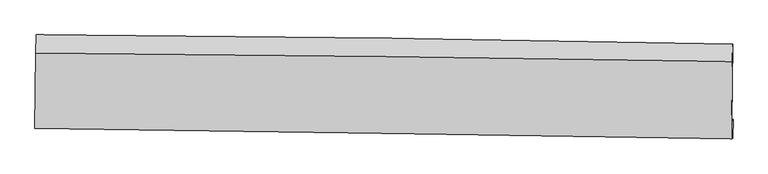
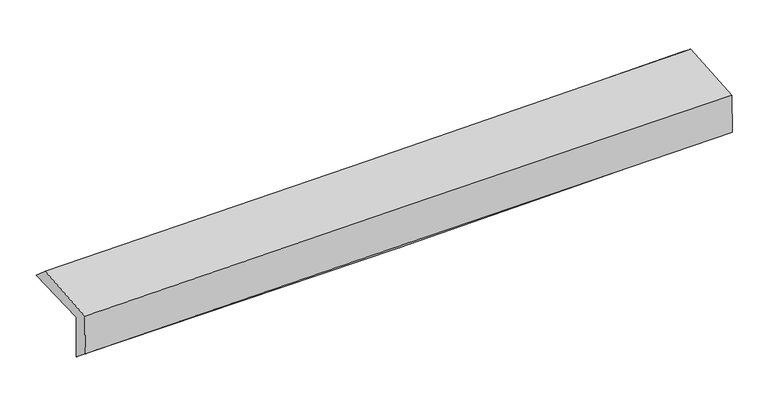
"""IFC4 building model written with IfcOpenShell, lengths in millimetres: proxy geometry."""

from ifc_helpers import new_model, si_unit, frame, origin, place, context, project, spatial, source, transform, mapped, element, save
from ifc_brep_helpers import plane_surface, spline_curve, spline_surface, advanced_brep


def generic_models_f8624597(model_context):
    return source(origin(), model_context, "Body", "AdvancedBrep", [
        advanced_brep(
        [(-3018.6850952, -1761.5706041, 1964.8808214), (-3010.9688578, -1097.0640962, 1978.586197), (3002.4724959, -1177.8081139, 2138.5594705), (2995.0060972, -1846.4471256, 2116.1110463), (-3009.0126292, -1744.2766765, 1561.8047585), (3004.7472441, -1829.0294096, 1710.1499396), (-3013.886207, -1900.5294207, 1688.8836468), (2999.8827184, -1992.9008546, 1833.8791481), (-3022.8304953, -1906.6758478, 2066.6873558), (2991.0616703, -1998.9619657, 2206.4393657), (-3016.0276786, -1253.2229093, 2113.6036678), (2997.9632107, -1326.8898884, 2254.6901709)],
        [
            (0, 1),
            (1, 2, spline_curve(3, [(-3010.9688578, -1097.0640962, 1978.586197), (-2007.040582537, -1101.852757265, 1987.744333911), (-1003.522213216, -1110.985352866, 2005.673664419), (1000.95681903, -1137.91506411, 2059.028455051), (2001.918900592, -1155.697141211, 2094.42354875), (3002.4724959, -1177.8081139, 2138.5594705)], [4, 2, 4], [0.0, 9.877986980050267, 19.738860247478947])),
            (2, 3),
            (3, 0, spline_curve(3, [(2995.0060972, -1846.4471256, 2116.1110463), (1993.986431333, -1829.282343604, 2073.33830942), (992.770328122, -1813.631727365, 2039.352723489), (-1011.792719951, -1785.334293387, 1988.9121216), (-2015.140347928, -1772.692735394, 1972.487632309), (-3018.6850952, -1761.5706041, 1964.8808214)], [4, 2, 4], [0.0, 9.86087326742868, 19.738860247478947])),
            (4, 0),
            (3, 5),
            (5, 4, spline_curve(3, [(3004.7472441, -1829.0294096, 1710.1499396), (2003.662881732, -1811.984148342, 1670.16235199), (1002.408688894, -1796.403642304, 1637.810551606), (-1002.177345453, -1768.147642571, 1588.335630935), (-2005.509777031, -1755.477237676, 1571.239037465), (-3009.0126292, -1744.2766765, 1561.8047585)], [4, 2, 4], [0.0, 9.860860497577487, 19.73883468561427])),
            (6, 4),
            (5, 7),
            (7, 6, spline_curve(3, [(2999.8827184, -1992.9008546, 1833.8791481), (1998.346098556, -1975.793820271, 1809.471078854), (996.86482777, -1959.54860965, 1785.194447546), (-1007.725006223, -1928.755137422, 1736.862157463), (-2010.833377587, -1914.209870274, 1712.80695473), (-3013.886207, -1900.5294207, 1688.8836468)], [4, 2, 4], [0.0, 9.860625965500487, 19.738365214425876])),
            (8, 6),
            (7, 9),
            (9, 8, spline_curve(3, [(2991.0616703, -1998.9619657, 2206.4393657), (1989.466191225, -1981.897869938, 2184.667985765), (987.945213304, -1965.681244629, 2162.147042797), (-1016.685767631, -1934.916261142, 2115.565643245), (-2019.795511491, -1920.370847081, 2091.502583243), (-3022.8304953, -1906.6758478, 2066.6873558)], [4, 2, 4], [0.0, 9.860582198546323, 19.738277604559258])),
            (10, 8),
            (9, 11),
            (11, 10, spline_curve(3, [(2997.9632107, -1326.8898884, 2254.6901709), (1996.903518679, -1312.332245044, 2224.536624374), (995.642454078, -1298.918838021, 2197.709949263), (-1009.020476106, -1274.359203025, 2150.66955743), (-2012.423041144, -1263.216950565, 2130.467398109), (-3016.0276786, -1253.2229093, 2113.6036678)], [4, 2, 4], [0.0, 9.860476075895031, 19.738065175079015])),
            (1, 10),
            (11, 2),
        ],
        [
            spline_surface(3, 3, [[(-3018.6850952, -1761.5706041, 1964.8808214), (-2015.140347963, -1772.69273553, 1972.487632452), (-1011.792720088, -1785.33429331, 1988.912121581), (992.770328259, -1813.631727441, 2039.352723508), (1993.986431227, -1829.282343464, 2073.338309357), (2995.0060972, -1846.4471256, 2116.1110463)], [(-3016.113016065, -1540.0684348, 1969.449279914), (-2012.440426196, -1549.079409481, 1977.573199538), (-1009.035884428, -1560.55131317, 1994.499302554), (995.499158509, -1588.392839711, 2045.911300681), (1996.63058773, -1604.753942734, 2080.366722486), (2997.494896774, -1623.56745503, 2123.593854343)], [(-3013.540936935, -1318.5662655, 1974.017738486), (-2009.740504434, -1325.466083431, 1982.65876668), (-1006.279048811, -1335.768332948, 2000.086483499), (998.227988715, -1363.153951898, 2052.469877826), (1999.274744212, -1380.225542015, 2087.395135685), (2999.983696326, -1400.68778447, 2131.076662457)], [(-3010.9688578, -1097.0640962, 1978.586197), (-2007.040582667, -1101.852757382, 1987.744333766), (-1003.522213151, -1110.985352808, 2005.673664471), (1000.956818965, -1137.915064168, 2059.028454999), (2001.918900715, -1155.697141286, 2094.423548814), (3002.4724959, -1177.8081139, 2138.5594705)]], [4, 4], [4, 2, 4], [0.0, 2.215641350273587], [0.0, 9.877986980050267, 19.738860247478947]),
            spline_surface(3, 3, [[(-3009.0126292, -1744.2766765, 1561.8047585), (-2005.50977719, -1755.477237579, 1571.239037437), (-1002.177345495, -1768.147642616, 1588.335630872), (1002.408688937, -1796.403642259, 1637.810551669), (2003.662881682, -1811.984148289, 1670.162351892), (3004.7472441, -1829.0294096, 1710.1499396)], [(-3012.236784516, -1750.041319011, 1696.163446155), (-2008.71996743, -1761.215736873, 1704.988569131), (-1005.382470366, -1773.87652617, 1721.861127784), (999.195902038, -1802.146337309, 1771.657942291), (2000.437398196, -1817.750213357, 1804.554337709), (3001.500195132, -1834.835314943, 1845.470308496)], [(-3015.460939884, -1755.805961589, 1830.522133745), (-2011.930157722, -1766.954236236, 1838.738100758), (-1008.587595218, -1779.605409756, 1855.386624669), (995.983115158, -1807.889032392, 1905.505332887), (1997.211914713, -1823.516278396, 1938.94632354), (2998.253146168, -1840.641220257, 1980.790677404)], [(-3018.6850952, -1761.5706041, 1964.8808214), (-2015.140347963, -1772.69273553, 1972.487632452), (-1011.792720088, -1785.33429331, 1988.912121581), (992.770328259, -1813.631727441, 2039.352723508), (1993.986431227, -1829.282343464, 2073.338309357), (2995.0060972, -1846.4471256, 2116.1110463)]], [4, 4], [4, 2, 4], [0.0, 1.3173979073396866], [0.0, 9.87797418803678, 19.73883468561427]),
            spline_surface(3, 3, [[(-3013.886207, -1900.5294207, 1688.8836468), (-2010.833377468, -1914.209870228, 1712.806954691), (-1007.72500628, -1928.755137548, 1736.862157321), (996.864827828, -1959.548609523, 1785.194447688), (1998.346098396, -1975.793820183, 1809.471078869), (2999.8827184, -1992.9008546, 1833.8791481)], [(-3012.261681064, -1848.445172653, 1646.524017351), (-2009.058844039, -1861.298992698, 1665.617648924), (-1005.875786019, -1875.219305915, 1687.353315153), (998.71278153, -1905.166953779, 1736.06648233), (2000.118359469, -1921.190596227, 1763.034836571), (3001.504226944, -1938.277039609, 1792.636078628)], [(-3010.637155136, -1796.360924547, 1604.164387949), (-2007.284310619, -1808.388115109, 1618.428343203), (-1004.026565756, -1821.683474249, 1637.84447304), (1000.560735234, -1850.785298004, 1686.938517027), (2001.890620609, -1866.587372245, 1716.59859419), (3003.125735556, -1883.653224591, 1751.393009072)], [(-3009.0126292, -1744.2766765, 1561.8047585), (-2005.50977719, -1755.477237579, 1571.239037437), (-1002.177345495, -1768.147642616, 1588.335630872), (1002.408688937, -1796.403642259, 1637.810551669), (2003.662881682, -1811.984148289, 1670.162351892), (3004.7472441, -1829.0294096, 1710.1499396)]], [4, 4], [4, 2, 4], [0.0, 0.7197312537228091], [0.0, 9.877739248925389, 19.738365214425876]),
            spline_surface(3, 3, [[(-3022.8304953, -1906.6758478, 2066.6873558), (-2019.795511422, -1920.37084723, 2091.502583251), (-1016.685767504, -1934.916261154, 2115.565643382), (987.945213177, -1965.681244618, 2162.14704266), (1989.466191139, -1981.897869968, 2184.667985839), (2991.0616703, -1998.9619657, 2206.4393657)], [(-3019.849065886, -1904.627038758, 1940.752786143), (-2016.808133457, -1918.317188221, 1965.270707074), (-1013.698847118, -1932.862553261, 1989.331148039), (990.918418039, -1963.637032896, 2036.496177679), (1992.426160233, -1979.863186678, 2059.602350175), (2994.002019675, -1996.941595305, 2082.252626493)], [(-3016.867636414, -1902.578229742, 1814.818216457), (-2013.820755433, -1916.263529238, 1839.038830868), (-1010.711926667, -1930.80884544, 1863.096652664), (993.891622966, -1961.592821245, 1910.845312668), (1995.386129302, -1977.828503473, 1934.536714533), (2996.942369025, -1994.921224995, 1958.065887307)], [(-3013.886207, -1900.5294207, 1688.8836468), (-2010.833377468, -1914.209870228, 1712.806954691), (-1007.72500628, -1928.755137548, 1736.862157321), (996.864827828, -1959.548609523, 1785.194447688), (1998.346098396, -1975.793820183, 1809.471078869), (2999.8827184, -1992.9008546, 1833.8791481)]], [4, 4], [4, 2, 4], [0.0, 1.2401092467468045], [0.0, 9.877695406012934, 19.738277604559258]),
            spline_surface(3, 3, [[(-3016.0276786, -1253.2229093, 2113.6036678), (-2012.423041149, -1263.216950508, 2130.467398099), (-1009.020476098, -1274.359203107, 2150.669557304), (995.642454071, -1298.918837939, 2197.709949388), (1996.903518825, -1312.332245036, 2224.536624522), (2997.9632107, -1326.8898884, 2254.6901709)], [(-3018.295284174, -1471.040555471, 2097.964897137), (-2014.880531247, -1482.26824942, 2117.479126487), (-1011.575573224, -1494.544889115, 2138.968252654), (993.076707116, -1521.172973491, 2185.855647136), (1994.424409602, -1535.520786695, 2211.247078278), (2995.662697239, -1550.913914182, 2238.606569151)], [(-3020.562889726, -1688.858201629, 2082.326126463), (-2017.338021324, -1701.319548318, 2104.490854863), (-1014.130670378, -1714.730575146, 2127.266948032), (990.510960132, -1743.427109066, 2174.001344912), (1991.945300362, -1758.709328308, 2197.957532082), (2993.362183761, -1774.937939918, 2222.522967449)], [(-3022.8304953, -1906.6758478, 2066.6873558), (-2019.795511422, -1920.37084723, 2091.502583251), (-1016.685767504, -1934.916261154, 2115.565643382), (987.945213177, -1965.681244618, 2162.14704266), (1989.466191139, -1981.897869968, 2184.667985839), (2991.0616703, -1998.9619657, 2206.4393657)]], [4, 4], [4, 2, 4], [0.0, 2.1805729669626652], [0.0, 9.877589099183984, 19.738065175079015]),
            spline_surface(3, 3, [[(-3010.9688578, -1097.0640962, 1978.586197), (-2007.040582667, -1101.852757382, 1987.744333766), (-1003.522213151, -1110.985352808, 2005.673664471), (1000.956818965, -1137.915064168, 2059.028454999), (2001.918900715, -1155.697141286, 2094.423548814), (3002.4724959, -1177.8081139, 2138.5594705)], [(-3012.655131395, -1149.117033907, 2023.592020599), (-2008.83473549, -1155.640821765, 2035.318688542), (-1005.354967463, -1165.443302912, 2054.005628748), (999.185364004, -1191.582988762, 2105.255619794), (2000.247106754, -1207.908842534, 2137.794574073), (3000.969400836, -1227.502038731, 2177.26970399)], [(-3014.341405005, -1201.169971593, 2068.597844201), (-2010.628888326, -1209.428886126, 2082.893043323), (-1007.187721787, -1219.901253004, 2102.337593027), (997.413909031, -1245.250913345, 2151.482784593), (1998.575312786, -1260.120543788, 2181.165599262), (2999.466305764, -1277.195963569, 2215.97993741)], [(-3016.0276786, -1253.2229093, 2113.6036678), (-2012.423041149, -1263.216950508, 2130.467398099), (-1009.020476098, -1274.359203107, 2150.669557304), (995.642454071, -1298.918837939, 2197.709949388), (1996.903518825, -1312.332245036, 2224.536624522), (2997.9632107, -1326.8898884, 2254.6901709)]], [4, 4], [4, 2, 4], [0.0, 0.7071322746958223], [0.0, 9.87769501398309, 19.738276821178765]),
            plane_surface(frame((2998.5222394, -1695.3395596, 2043.3048568), z_axis=(0.99965301008731, -0.01195079341989777, 0.02347419775020179), x_axis=(0.023667074743100255, 0.01626210053549652, -0.9995876218017498))),
            plane_surface(frame((-3015.2351605, -1610.5565924, 1895.7410745), z_axis=(-0.9996514234388951, 0.012091989068329841, -0.02346945710839087), x_axis=(-0.011608730402903932, -0.9997200054767438, -0.020619118022168904))),
        ],
        [
            (0, [[1, 2, 3, 4]]),
            (1, [[5, -4, 6, 7]]),
            (2, [[8, -7, 9, 10]]),
            (3, [[11, -10, 12, 13]]),
            (4, [[14, -13, 15, 16]]),
            (5, [[17, -16, 18, -2]]),
            (6, [[-12, -9, -6, -3, -18, -15]]),
            (7, [[-1, -5, -8, -11, -14, -17]]),
        ],
    ),
    ])


if __name__ == "__main__":
    model = new_model("IFC4")
    model_context = context("Model", 3, world=origin())
    ifc_project = project(units=[si_unit("LENGTHUNIT", "METRE", prefix="MILLI")], contexts=[model_context])
    site = spatial("IfcSite", under=ifc_project)
    building = spatial("IfcBuilding", under=site)
    placement = place(None, origin())
    generic_models_shape = generic_models_f8624597(model_context)
    element("IfcBuildingElementProxy", 1, Name="Generic Models", at=placement, inside=building, context=model_context, shape_type="MappedRepresentation", body=[
        mapped(generic_models_shape, transform((0.0, 0.0, 0.0), x_axis=(1.0, 0.0, 0.0), y_axis=(0.0, 1.0, 0.0), z_axis=(0.0, 0.0, 1.0))),
    ])
    save(model, "model.ifc")
